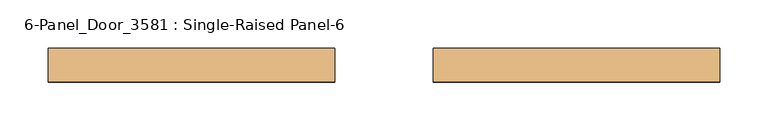
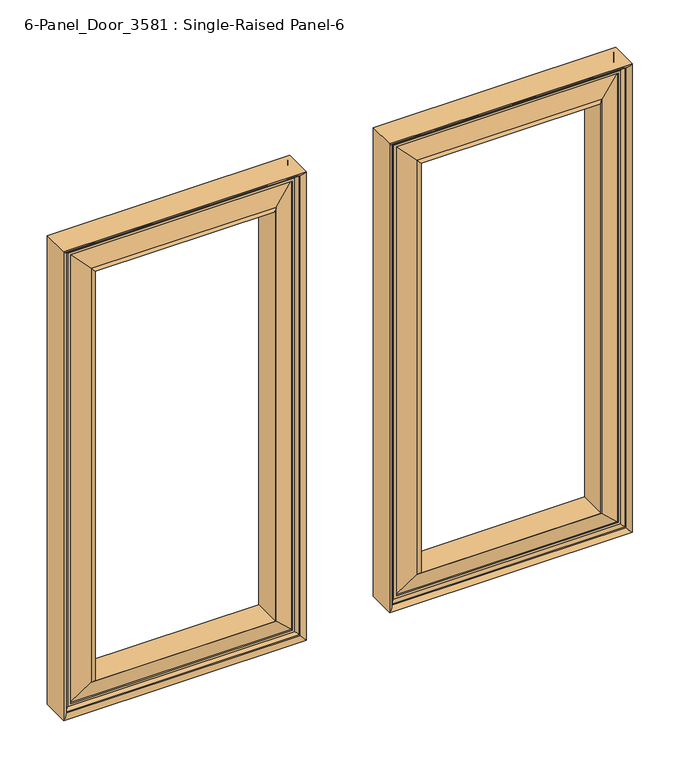
"""IFC4 building model written with IfcOpenShell, lengths in millimetres: door geometry, 6-Panel_Door_3581 : Single-Raised Panel-6."""

from ifc_helpers import new_model, si_unit, frame, origin, place, context, project, spatial, polyline, ellipse_curve, source, transform, mapped, element, save
from ifc_brep_helpers import plane_surface, cylinder_surface, revolved_surface, advanced_brep


def door_6_panel_door_3581_single_raised_panel_6_333dbea5(model_context):
    return source(origin(), model_context, "Body", "AdvancedBrep", [
        advanced_brep(
        [(50.8, -41.4748678, 1619.25), (50.8, -76.0029928, 1619.25), (346.075, -76.0029928, 1619.25), (346.075, -41.4748678, 1619.25), (55.5583641, -46.0389303, 1614.4916359), (341.3166359, -46.0389303, 1614.4916359), (60.325, -49.2139303, 1609.725), (57.15, -46.0389303, 1612.9), (339.725, -46.0389303, 1612.9), (336.55, -49.2139303, 1609.725), (63.5, -50.8165159, 1606.55), (63.5, -49.2139303, 1606.55), (333.375, -49.2139303, 1606.55), (333.375, -50.8165159, 1606.55), (86.2811535, -44.2921518, 1583.7688465), (310.5938465, -44.2921518, 1583.7688465), (88.9, -41.6733053, 1581.15), (307.975, -41.6733053, 1581.15), (88.9, -76.0029928, 1581.15), (307.975, -76.0029928, 1581.15), (86.0030767, -73.1060696, 1584.0469233), (310.8719233, -73.1060696, 1584.0469233), (63.5, -66.6613447, 1606.55), (333.375, -66.6613447, 1606.55), (63.5, -68.2639303, 1606.55), (333.375, -68.2639303, 1606.55), (57.15, -71.4389303, 1612.9), (60.325, -68.2639303, 1609.725), (336.55, -68.2639303, 1609.725), (339.725, -71.4389303, 1612.9), (55.5583641, -71.4389303, 1614.4916359), (341.3166359, -71.4389303, 1614.4916359), (346.075, -76.0029928, 1016.0), (346.075, -41.4748678, 1016.0), (341.3166359, -46.0389303, 1020.7583641), (339.725, -46.0389303, 1022.35), (336.55, -49.2139303, 1025.525), (333.375, -49.2139303, 1028.7), (333.375, -50.8165159, 1028.7), (310.5938465, -44.2921518, 1051.4811535), (307.975, -41.6733053, 1054.1), (307.975, -76.0029928, 1054.1), (310.8719233, -73.1060696, 1051.2030767), (333.375, -66.6613447, 1028.7), (333.375, -68.2639303, 1028.7), (336.55, -68.2639303, 1025.525), (339.725, -71.4389303, 1022.35), (341.3166359, -71.4389303, 1020.7583641), (50.8, -76.0029928, 1016.0), (50.8, -41.4748678, 1016.0), (55.5583641, -46.0389303, 1020.7583641), (57.15, -46.0389303, 1022.35), (60.325, -49.2139303, 1025.525), (63.5, -49.2139303, 1028.7), (63.5, -50.8165159, 1028.7), (86.2811535, -44.2921518, 1051.4811535), (88.9, -41.6733053, 1054.1), (88.9, -76.0029928, 1054.1), (86.0030767, -73.1060696, 1051.2030767), (63.5, -66.6613447, 1028.7), (63.5, -68.2639303, 1028.7), (60.325, -68.2639303, 1025.525), (57.15, -71.4389303, 1022.35), (55.5583641, -71.4389303, 1020.7583641)],
        [
            (0, 1),
            (1, 2),
            (2, 3),
            (3, 0),
            (4, 0, ellipse_curve(frame((50.8, -46.2373678, 1619.25), z_axis=(0.7071067811865481, 0.0, 0.7071067811865469), x_axis=(-0.7071067811865469, 0.0, 0.7071067811865481)), 6.7351921, 4.7625)),
            (3, 5, ellipse_curve(frame((346.075, -46.2373678, 1619.25), z_axis=(-0.7071067811865475, 0.0, 0.7071067811865475), x_axis=(-0.7071067811865477, 0.0, -0.7071067811865474)), 6.7351921, 4.7625)),
            (5, 4),
            (6, 7, ellipse_curve(frame((60.325, -46.0389303, 1609.725), z_axis=(-0.7071067811865481, 0.0, -0.7071067811865469), x_axis=(0.7071067811865469, 0.0, -0.7071067811865481)), 4.4901281, 3.175)),
            (7, 8),
            (8, 9, ellipse_curve(frame((336.55, -46.0389303, 1609.725), z_axis=(0.7071067811865475, 0.0, -0.7071067811865475), x_axis=(0.7071067811865477, 0.0, 0.7071067811865474)), 4.4901281, 3.175)),
            (9, 6),
            (10, 11),
            (11, 12),
            (12, 13),
            (13, 10),
            (14, 10),
            (13, 15),
            (15, 14),
            (16, 14),
            (15, 17),
            (17, 16),
            (18, 16),
            (17, 19),
            (19, 18),
            (20, 18),
            (19, 21),
            (21, 20),
            (22, 20),
            (21, 23),
            (23, 22),
            (24, 22),
            (23, 25),
            (25, 24),
            (26, 27, ellipse_curve(frame((60.325, -71.4389303, 1609.725), z_axis=(-0.7071067811865481, 0.0, -0.7071067811865469), x_axis=(0.7071067811865469, 0.0, -0.7071067811865481)), 4.4901281, 3.175)),
            (27, 28),
            (28, 29, ellipse_curve(frame((336.55, -71.4389303, 1609.725), z_axis=(0.7071067811865475, 0.0, -0.7071067811865475), x_axis=(0.7071067811865477, 0.0, 0.7071067811865474)), 4.4901281, 3.175)),
            (29, 26),
            (1, 30, ellipse_curve(frame((50.8, -71.2404928, 1619.25), z_axis=(0.7071067811865481, 0.0, 0.7071067811865469), x_axis=(-0.7071067811865469, 0.0, 0.7071067811865481)), 6.7351921, 4.7625)),
            (30, 31),
            (31, 2, ellipse_curve(frame((346.075, -71.2404928, 1619.25), z_axis=(-0.7071067811865475, 0.0, 0.7071067811865475), x_axis=(-0.7071067811865477, 0.0, -0.7071067811865474)), 6.7351921, 4.7625)),
            (2, 32),
            (32, 33),
            (33, 3),
            (33, 34, ellipse_curve(frame((346.075, -46.2373678, 1016.0), z_axis=(0.7071067811865475, 0.0, 0.7071067811865475), x_axis=(-0.7071067811865474, 0.0, 0.7071067811865477)), 6.7351921, 4.7625)),
            (34, 5),
            (8, 35),
            (35, 36, ellipse_curve(frame((336.55, -46.0389303, 1025.525), z_axis=(-0.7071067811865475, 0.0, -0.7071067811865475), x_axis=(0.7071067811865474, 0.0, -0.7071067811865477)), 4.4901281, 3.175)),
            (36, 9),
            (12, 37),
            (37, 38),
            (38, 13),
            (38, 39),
            (39, 15),
            (39, 40),
            (40, 17),
            (40, 41),
            (41, 19),
            (41, 42),
            (42, 21),
            (42, 43),
            (43, 23),
            (43, 44),
            (44, 25),
            (28, 45),
            (45, 46, ellipse_curve(frame((336.55, -71.4389303, 1025.525), z_axis=(-0.7071067811865475, 0.0, -0.7071067811865475), x_axis=(0.7071067811865474, 0.0, -0.7071067811865477)), 4.4901281, 3.175)),
            (46, 29),
            (31, 47),
            (47, 32, ellipse_curve(frame((346.075, -71.2404928, 1016.0), z_axis=(0.7071067811865475, 0.0, 0.7071067811865475), x_axis=(-0.7071067811865474, 0.0, 0.7071067811865477)), 6.7351921, 4.7625)),
            (32, 48),
            (48, 49),
            (49, 33),
            (49, 50, ellipse_curve(frame((50.8, -46.2373678, 1016.0), z_axis=(0.7071067811865469, 0.0, -0.7071067811865481), x_axis=(0.7071067811865481, 0.0, 0.7071067811865468)), 6.7351921, 4.7625)),
            (50, 34),
            (35, 51),
            (51, 52, ellipse_curve(frame((60.325, -46.0389303, 1025.525), z_axis=(-0.7071067811865469, 0.0, 0.7071067811865481), x_axis=(-0.7071067811865481, 0.0, -0.7071067811865468)), 4.4901281, 3.175)),
            (52, 36),
            (37, 53),
            (53, 54),
            (54, 38),
            (54, 55),
            (55, 39),
            (55, 56),
            (56, 40),
            (56, 57),
            (57, 41),
            (57, 58),
            (58, 42),
            (58, 59),
            (59, 43),
            (59, 60),
            (60, 44),
            (45, 61),
            (61, 62, ellipse_curve(frame((60.325, -71.4389303, 1025.525), z_axis=(-0.7071067811865469, 0.0, 0.7071067811865481), x_axis=(-0.7071067811865481, 0.0, -0.7071067811865468)), 4.4901281, 3.175)),
            (62, 46),
            (47, 63),
            (63, 48, ellipse_curve(frame((50.8, -71.2404928, 1016.0), z_axis=(0.7071067811865469, 0.0, -0.7071067811865481), x_axis=(0.7071067811865481, 0.0, 0.7071067811865468)), 6.7351921, 4.7625)),
            (48, 1),
            (0, 49),
            (4, 50),
            (7, 51),
            (6, 52),
            (11, 53),
            (10, 54),
            (14, 55),
            (16, 56),
            (18, 57),
            (20, 58),
            (22, 59),
            (24, 60),
            (27, 61),
            (26, 62),
            (30, 63),
        ],
        [
            plane_surface(frame((50.8, -76.0029928, 1619.25), z_axis=(0.0, 0.0, 1.0), x_axis=(1.0, 0.0, 0.0))),
            cylinder_surface(frame((50.8, -46.2373678, 1619.25), z_axis=(-1.0, 0.0, 0.0), x_axis=(0.0, 0.0, 1.0)), 4.7625),
            revolved_surface(polyline([(339.7250000279063, -46.0389303, 1612.8999999999999), (57.14999997209374, -46.0389303, 1612.8999999999999)]), (50.8, -46.0389303, 1609.725), (1.0, 0.0, 0.0)),
            plane_surface(frame((63.5, -49.2139303, 1606.55), z_axis=(0.0, 0.0, -1.0), x_axis=(1.0, 0.0, 0.0))),
            plane_surface(frame((63.5, -50.8165159, 1606.55), z_axis=(0.0, 0.9613513906239454, 0.2753243609733919), x_axis=(1.0, 0.0, 0.0))),
            plane_surface(frame((86.2811535, -44.2921518, 1583.7688465), z_axis=(0.0, 0.7071067811865464, 0.7071067811865487), x_axis=(1.0, 0.0, 0.0))),
            plane_surface(frame((88.9, -41.6733053, 1581.15), z_axis=(0.0, 0.0, -1.0), x_axis=(1.0, 0.0, 0.0))),
            plane_surface(frame((88.9, -76.0029928, 1581.15), z_axis=(0.0, -0.7071067811865527, 0.7071067811865424), x_axis=(1.0, 0.0, 0.0))),
            plane_surface(frame((86.0030767, -73.1060696, 1584.0469233), z_axis=(0.0, -0.9613513906239438, 0.27532436097339685), x_axis=(1.0, 0.0, 0.0))),
            plane_surface(frame((63.5, -66.6613447, 1606.55), z_axis=(0.0, 0.0, -1.0), x_axis=(1.0, 0.0, 0.0))),
            revolved_surface(polyline([(339.7250000279063, -71.4389303, 1612.8999999999999), (57.14999997209374, -71.4389303, 1612.8999999999999)]), (50.8, -71.4389303, 1609.725), (1.0, 0.0, 0.0)),
            cylinder_surface(frame((50.8, -71.2404928, 1619.25), z_axis=(-1.0, 0.0, 0.0), x_axis=(0.0, 0.0, 1.0)), 4.7625),
            plane_surface(frame((346.075, -76.0029928, 1619.25), z_axis=(1.0, 0.0, 0.0), x_axis=(0.0, 0.0, -1.0))),
            cylinder_surface(frame((346.075, -46.2373678, 1619.25), z_axis=(0.0, 0.0, 1.0), x_axis=(1.0, 0.0, 0.0)), 4.7625),
            revolved_surface(polyline([(339.725, -46.0389303, 1022.3499999720938), (339.725, -46.0389303, 1612.9000000279061)]), (336.55, -46.0389303, 1619.25), (0.0, 0.0, -1.0)),
            plane_surface(frame((333.375, -49.2139303, 1606.55), z_axis=(-1.0, 0.0, 0.0), x_axis=(0.0, 0.0, -1.0))),
            plane_surface(frame((333.375, -50.8165159, 1606.55), z_axis=(0.2753243609733919, 0.9613513906239454, 0.0), x_axis=(0.0, 0.0, -1.0))),
            plane_surface(frame((310.5938465, -44.2921518, 1583.7688465), z_axis=(0.7071067811865487, 0.7071067811865464, 0.0), x_axis=(0.0, 0.0, -1.0))),
            plane_surface(frame((307.975, -41.6733053, 1581.15), z_axis=(-1.0, 0.0, 0.0), x_axis=(0.0, 0.0, -1.0))),
            plane_surface(frame((307.975, -76.0029928, 1581.15), z_axis=(0.7071067811865424, -0.7071067811865527, 0.0), x_axis=(0.0, 0.0, -1.0))),
            plane_surface(frame((310.8719233, -73.1060696, 1584.0469233), z_axis=(0.27532436097339685, -0.9613513906239438, 0.0), x_axis=(0.0, 0.0, -1.0))),
            plane_surface(frame((333.375, -66.6613447, 1606.55), z_axis=(-1.0, 0.0, 0.0), x_axis=(0.0, 0.0, -1.0))),
            revolved_surface(polyline([(339.725, -71.4389303, 1022.3499999720938), (339.725, -71.4389303, 1612.9000000279061)]), (336.55, -71.4389303, 1619.25), (0.0, 0.0, -1.0)),
            cylinder_surface(frame((346.075, -71.2404928, 1619.25), z_axis=(0.0, 0.0, 1.0), x_axis=(1.0, 0.0, 0.0)), 4.7625),
            plane_surface(frame((346.075, -76.0029928, 1016.0), z_axis=(0.0, 0.0, -1.0), x_axis=(-1.0, 0.0, 0.0))),
            cylinder_surface(frame((346.075, -46.2373678, 1016.0), z_axis=(1.0, 0.0, 0.0), x_axis=(0.0, 0.0, -1.0)), 4.7625),
            revolved_surface(polyline([(57.149999972093724, -46.0389303, 1022.3500000000001), (339.7250000279063, -46.0389303, 1022.3500000000001)]), (346.075, -46.0389303, 1025.525), (-1.0, 0.0, 0.0)),
            plane_surface(frame((333.375, -49.2139303, 1028.7), z_axis=(0.0, 0.0, 1.0), x_axis=(-1.0, 0.0, 0.0))),
            plane_surface(frame((333.375, -50.8165159, 1028.7), z_axis=(0.0, 0.9613513906239454, -0.2753243609733919), x_axis=(-1.0, 0.0, 0.0))),
            plane_surface(frame((310.5938465, -44.2921518, 1051.4811535), z_axis=(0.0, 0.7071067811865464, -0.7071067811865487), x_axis=(-1.0, 0.0, 0.0))),
            plane_surface(frame((307.975, -41.6733053, 1054.1), z_axis=(0.0, 0.0, 1.0), x_axis=(-1.0, 0.0, 0.0))),
            plane_surface(frame((307.975, -76.0029928, 1054.1), z_axis=(0.0, -0.7071067811865527, -0.7071067811865424), x_axis=(-1.0, 0.0, 0.0))),
            plane_surface(frame((310.8719233, -73.1060696, 1051.2030767), z_axis=(0.0, -0.9613513906239438, -0.27532436097339685), x_axis=(-1.0, 0.0, 0.0))),
            plane_surface(frame((333.375, -66.6613447, 1028.7), z_axis=(0.0, 0.0, 1.0), x_axis=(-1.0, 0.0, 0.0))),
            revolved_surface(polyline([(57.149999972093724, -71.4389303, 1022.3500000000001), (339.7250000279063, -71.4389303, 1022.3500000000001)]), (346.075, -71.4389303, 1025.525), (-1.0, 0.0, 0.0)),
            cylinder_surface(frame((346.075, -71.2404928, 1016.0), z_axis=(1.0, 0.0, 0.0), x_axis=(0.0, 0.0, -1.0)), 4.7625),
            plane_surface(frame((50.8, -76.0029928, 1016.0), z_axis=(-1.0, 0.0, 0.0), x_axis=(0.0, 0.0, 1.0))),
            cylinder_surface(frame((50.8, -46.2373678, 1016.0), z_axis=(0.0, 0.0, -1.0), x_axis=(-1.0, 0.0, 0.0)), 4.7625),
            plane_surface(frame((55.5583641, -46.0389303, 1020.7583641), z_axis=(0.0, 1.0, 0.0), x_axis=(0.0, 0.0, 1.0))),
            revolved_surface(polyline([(57.150000000000006, -46.0389303, 1612.9000000279061), (57.150000000000006, -46.0389303, 1022.3499999720939)]), (60.325, -46.0389303, 1016.0), (0.0, 0.0, 1.0)),
            plane_surface(frame((60.325, -49.2139303, 1025.525), z_axis=(0.0, 1.0, 0.0), x_axis=(0.0, 0.0, 1.0))),
            plane_surface(frame((63.5, -49.2139303, 1028.7), z_axis=(1.0, 0.0, 0.0), x_axis=(0.0, 0.0, 1.0))),
            plane_surface(frame((63.5, -50.8165159, 1028.7), z_axis=(-0.2753243609733919, 0.9613513906239454, 0.0), x_axis=(0.0, 0.0, 1.0))),
            plane_surface(frame((86.2811535, -44.2921518, 1051.4811535), z_axis=(-0.7071067811865487, 0.7071067811865464, 0.0), x_axis=(0.0, 0.0, 1.0))),
            plane_surface(frame((88.9, -41.6733053, 1054.1), z_axis=(1.0, 0.0, 0.0), x_axis=(0.0, 0.0, 1.0))),
            plane_surface(frame((88.9, -76.0029928, 1054.1), z_axis=(-0.7071067811865424, -0.7071067811865527, 0.0), x_axis=(0.0, 0.0, 1.0))),
            plane_surface(frame((86.0030767, -73.1060696, 1051.2030767), z_axis=(-0.27532436097339685, -0.9613513906239438, 0.0), x_axis=(0.0, 0.0, 1.0))),
            plane_surface(frame((63.5, -66.6613447, 1028.7), z_axis=(1.0, 0.0, 0.0), x_axis=(0.0, 0.0, 1.0))),
            plane_surface(frame((63.5, -68.2639303, 1028.7), z_axis=(0.0, -1.0, 0.0), x_axis=(0.0, 0.0, 1.0))),
            revolved_surface(polyline([(57.150000000000006, -71.4389303, 1612.9000000279061), (57.150000000000006, -71.4389303, 1022.3499999720939)]), (60.325, -71.4389303, 1016.0), (0.0, 0.0, 1.0)),
            plane_surface(frame((57.15, -71.4389303, 1022.35), z_axis=(0.0, -1.0, 0.0), x_axis=(0.0, 0.0, 1.0))),
            cylinder_surface(frame((50.8, -71.2404928, 1016.0), z_axis=(0.0, 0.0, -1.0), x_axis=(-1.0, 0.0, 0.0)), 4.7625),
        ],
        [
            (0, [[1, 2, 3, 4]]),
            (1, [[5, -4, 6, 7]]),
            (2, [[8, 9, 10, 11]]),
            (3, [[12, 13, 14, 15]]),
            (4, [[16, -15, 17, 18]]),
            (5, [[19, -18, 20, 21]]),
            (6, [[22, -21, 23, 24]]),
            (7, [[25, -24, 26, 27]]),
            (8, [[28, -27, 29, 30]]),
            (9, [[31, -30, 32, 33]]),
            (10, [[34, 35, 36, 37]]),
            (11, [[38, 39, 40, -2]]),
            (12, [[-3, 41, 42, 43]]),
            (13, [[-6, -43, 44, 45]]),
            (14, [[-10, 46, 47, 48]]),
            (15, [[-14, 49, 50, 51]]),
            (16, [[-17, -51, 52, 53]]),
            (17, [[-20, -53, 54, 55]]),
            (18, [[-23, -55, 56, 57]]),
            (19, [[-26, -57, 58, 59]]),
            (20, [[-29, -59, 60, 61]]),
            (21, [[-32, -61, 62, 63]]),
            (22, [[-36, 64, 65, 66]]),
            (23, [[-40, 67, 68, -41]]),
            (24, [[-42, 69, 70, 71]]),
            (25, [[-44, -71, 72, 73]]),
            (26, [[-47, 74, 75, 76]]),
            (27, [[-50, 77, 78, 79]]),
            (28, [[-52, -79, 80, 81]]),
            (29, [[-54, -81, 82, 83]]),
            (30, [[-56, -83, 84, 85]]),
            (31, [[-58, -85, 86, 87]]),
            (32, [[-60, -87, 88, 89]]),
            (33, [[-62, -89, 90, 91]]),
            (34, [[-65, 92, 93, 94]]),
            (35, [[-68, 95, 96, -69]]),
            (36, [[-70, 97, -1, 98]]),
            (37, [[-72, -98, -5, 99]]),
            (38, [[-45, -73, -99, -7], [100, -74, -46, -9]]),
            (39, [[-75, -100, -8, 101]]),
            (40, [[-48, -76, -101, -11], [102, -77, -49, -13]]),
            (41, [[-78, -102, -12, 103]]),
            (42, [[-80, -103, -16, 104]]),
            (43, [[-82, -104, -19, 105]]),
            (44, [[-84, -105, -22, 106]]),
            (45, [[-86, -106, -25, 107]]),
            (46, [[-88, -107, -28, 108]]),
            (47, [[-90, -108, -31, 109]]),
            (48, [[110, -92, -64, -35], [-63, -91, -109, -33]]),
            (49, [[-93, -110, -34, 111]]),
            (50, [[112, -95, -67, -39], [-66, -94, -111, -37]]),
            (51, [[-96, -112, -38, -97]]),
        ],
    ),
        advanced_brep(
        [(-346.075, -76.0029928, 1016.0), (-346.075, -41.4748678, 1016.0), (-50.8, -41.4748678, 1016.0), (-50.8, -76.0029928, 1016.0), (-341.3166359, -71.4389303, 1020.7583641), (-55.5583641, -71.4389303, 1020.7583641), (-336.55, -68.2639303, 1025.525), (-339.725, -71.4389303, 1022.35), (-57.15, -71.4389303, 1022.35), (-60.325, -68.2639303, 1025.525), (-333.375, -66.6613447, 1028.7), (-333.375, -68.2639303, 1028.7), (-63.5, -68.2639303, 1028.7), (-63.5, -66.6613447, 1028.7), (-310.8719233, -73.1060696, 1051.2030767), (-86.0030767, -73.1060696, 1051.2030767), (-307.975, -76.0029928, 1054.1), (-88.9, -76.0029928, 1054.1), (-307.975, -41.6733053, 1054.1), (-88.9, -41.6733053, 1054.1), (-310.5938465, -44.2921518, 1051.4811535), (-86.2811535, -44.2921518, 1051.4811535), (-333.375, -50.8165159, 1028.7), (-63.5, -50.8165159, 1028.7), (-333.375, -49.2139303, 1028.7), (-63.5, -49.2139303, 1028.7), (-339.725, -46.0389303, 1022.35), (-336.55, -49.2139303, 1025.525), (-60.325, -49.2139303, 1025.525), (-57.15, -46.0389303, 1022.35), (-341.3166359, -46.0389303, 1020.7583641), (-55.5583641, -46.0389303, 1020.7583641), (-50.8, -41.4748678, 1619.25), (-50.8, -76.0029928, 1619.25), (-55.5583641, -71.4389303, 1614.4916359), (-57.15, -71.4389303, 1612.9), (-60.325, -68.2639303, 1609.725), (-63.5, -68.2639303, 1606.55), (-63.5, -66.6613447, 1606.55), (-86.0030767, -73.1060696, 1584.0469233), (-88.9, -76.0029928, 1581.15), (-88.9, -41.6733053, 1581.15), (-86.2811535, -44.2921518, 1583.7688465), (-63.5, -50.8165159, 1606.55), (-63.5, -49.2139303, 1606.55), (-60.325, -49.2139303, 1609.725), (-57.15, -46.0389303, 1612.9), (-55.5583641, -46.0389303, 1614.4916359), (-346.075, -41.4748678, 1619.25), (-346.075, -76.0029928, 1619.25), (-341.3166359, -71.4389303, 1614.4916359), (-339.725, -71.4389303, 1612.9), (-336.55, -68.2639303, 1609.725), (-333.375, -68.2639303, 1606.55), (-333.375, -66.6613447, 1606.55), (-310.8719233, -73.1060696, 1584.0469233), (-307.975, -76.0029928, 1581.15), (-307.975, -41.6733053, 1581.15), (-310.5938465, -44.2921518, 1583.7688465), (-333.375, -50.8165159, 1606.55), (-333.375, -49.2139303, 1606.55), (-336.55, -49.2139303, 1609.725), (-339.725, -46.0389303, 1612.9), (-341.3166359, -46.0389303, 1614.4916359)],
        [
            (0, 1),
            (1, 2),
            (2, 3),
            (3, 0),
            (4, 0, ellipse_curve(frame((-346.075, -71.2404928, 1016.0), z_axis=(0.7071067811865475, 0.0, -0.7071067811865476), x_axis=(-0.7071067811865475, 0.0, -0.7071067811865475)), 6.7351921, 4.7625)),
            (3, 5, ellipse_curve(frame((-50.8, -71.2404928, 1016.0), z_axis=(-0.7071067811865481, 0.0, -0.7071067811865469), x_axis=(-0.7071067811865469, 0.0, 0.707106781186548)), 6.7351921, 4.7625)),
            (5, 4),
            (6, 7, ellipse_curve(frame((-336.55, -71.4389303, 1025.525), z_axis=(-0.7071067811865475, 0.0, 0.7071067811865476), x_axis=(0.7071067811865475, 0.0, 0.7071067811865475)), 4.4901281, 3.175)),
            (7, 8),
            (8, 9, ellipse_curve(frame((-60.325, -71.4389303, 1025.525), z_axis=(0.7071067811865481, 0.0, 0.7071067811865469), x_axis=(0.7071067811865469, 0.0, -0.707106781186548)), 4.4901281, 3.175)),
            (9, 6),
            (10, 11),
            (11, 12),
            (12, 13),
            (13, 10),
            (14, 10),
            (13, 15),
            (15, 14),
            (16, 14),
            (15, 17),
            (17, 16),
            (18, 16),
            (17, 19),
            (19, 18),
            (20, 18),
            (19, 21),
            (21, 20),
            (22, 20),
            (21, 23),
            (23, 22),
            (24, 22),
            (23, 25),
            (25, 24),
            (26, 27, ellipse_curve(frame((-336.55, -46.0389303, 1025.525), z_axis=(-0.7071067811865475, 0.0, 0.7071067811865476), x_axis=(0.7071067811865475, 0.0, 0.7071067811865475)), 4.4901281, 3.175)),
            (27, 28),
            (28, 29, ellipse_curve(frame((-60.325, -46.0389303, 1025.525), z_axis=(0.7071067811865481, 0.0, 0.7071067811865469), x_axis=(0.7071067811865469, 0.0, -0.707106781186548)), 4.4901281, 3.175)),
            (29, 26),
            (1, 30, ellipse_curve(frame((-346.075, -46.2373678, 1016.0), z_axis=(0.7071067811865475, 0.0, -0.7071067811865476), x_axis=(-0.7071067811865475, 0.0, -0.7071067811865475)), 6.7351921, 4.7625)),
            (30, 31),
            (31, 2, ellipse_curve(frame((-50.8, -46.2373678, 1016.0), z_axis=(-0.7071067811865481, 0.0, -0.7071067811865469), x_axis=(-0.7071067811865469, 0.0, 0.707106781186548)), 6.7351921, 4.7625)),
            (2, 32),
            (32, 33),
            (33, 3),
            (33, 34, ellipse_curve(frame((-50.8, -71.2404928, 1619.25), z_axis=(0.7071067811865469, 0.0, -0.7071067811865481), x_axis=(-0.707106781186548, 0.0, -0.7071067811865469)), 6.7351921, 4.7625)),
            (34, 5),
            (8, 35),
            (35, 36, ellipse_curve(frame((-60.325, -71.4389303, 1609.725), z_axis=(-0.7071067811865469, 0.0, 0.7071067811865481), x_axis=(0.707106781186548, 0.0, 0.7071067811865469)), 4.4901281, 3.175)),
            (36, 9),
            (12, 37),
            (37, 38),
            (38, 13),
            (38, 39),
            (39, 15),
            (39, 40),
            (40, 17),
            (40, 41),
            (41, 19),
            (41, 42),
            (42, 21),
            (42, 43),
            (43, 23),
            (43, 44),
            (44, 25),
            (28, 45),
            (45, 46, ellipse_curve(frame((-60.325, -46.0389303, 1609.725), z_axis=(-0.7071067811865469, 0.0, 0.7071067811865481), x_axis=(0.707106781186548, 0.0, 0.7071067811865469)), 4.4901281, 3.175)),
            (46, 29),
            (31, 47),
            (47, 32, ellipse_curve(frame((-50.8, -46.2373678, 1619.25), z_axis=(0.7071067811865469, 0.0, -0.7071067811865481), x_axis=(-0.707106781186548, 0.0, -0.7071067811865469)), 6.7351921, 4.7625)),
            (32, 48),
            (48, 49),
            (49, 33),
            (49, 50, ellipse_curve(frame((-346.075, -71.2404928, 1619.25), z_axis=(0.7071067811865476, 0.0, 0.7071067811865475), x_axis=(0.7071067811865475, 0.0, -0.7071067811865475)), 6.7351921, 4.7625)),
            (50, 34),
            (35, 51),
            (51, 52, ellipse_curve(frame((-336.55, -71.4389303, 1609.725), z_axis=(-0.7071067811865476, 0.0, -0.7071067811865475), x_axis=(-0.7071067811865475, 0.0, 0.7071067811865475)), 4.4901281, 3.175)),
            (52, 36),
            (37, 53),
            (53, 54),
            (54, 38),
            (54, 55),
            (55, 39),
            (55, 56),
            (56, 40),
            (56, 57),
            (57, 41),
            (57, 58),
            (58, 42),
            (58, 59),
            (59, 43),
            (59, 60),
            (60, 44),
            (45, 61),
            (61, 62, ellipse_curve(frame((-336.55, -46.0389303, 1609.725), z_axis=(-0.7071067811865476, 0.0, -0.7071067811865475), x_axis=(-0.7071067811865475, 0.0, 0.7071067811865475)), 4.4901281, 3.175)),
            (62, 46),
            (47, 63),
            (63, 48, ellipse_curve(frame((-346.075, -46.2373678, 1619.25), z_axis=(0.7071067811865476, 0.0, 0.7071067811865475), x_axis=(0.7071067811865475, 0.0, -0.7071067811865475)), 6.7351921, 4.7625)),
            (48, 1),
            (0, 49),
            (4, 50),
            (7, 51),
            (6, 52),
            (11, 53),
            (10, 54),
            (14, 55),
            (16, 56),
            (18, 57),
            (20, 58),
            (22, 59),
            (24, 60),
            (27, 61),
            (26, 62),
            (30, 63),
        ],
        [
            plane_surface(frame((-346.075, -41.4748678, 1016.0), z_axis=(0.0, 0.0, -1.0), x_axis=(1.0, 0.0, 0.0))),
            cylinder_surface(frame((-346.075, -71.2404928, 1016.0), z_axis=(-1.0, 0.0, 0.0), x_axis=(0.0, -1.0, 0.0)), 4.7625),
            revolved_surface(polyline([(-57.149999972093724, -74.61393029999999, 1025.525), (-339.7250000279063, -74.61393029999999, 1025.525)]), (-346.075, -71.4389303, 1025.525), (1.0, 0.0, 0.0)),
            plane_surface(frame((-333.375, -68.2639303, 1028.7), z_axis=(0.0, 0.0, 1.0), x_axis=(1.0, 0.0, 0.0))),
            plane_surface(frame((-333.375, -66.6613447, 1028.7), z_axis=(0.0, -0.961351390623947, -0.275324360973386), x_axis=(1.0, 0.0, 0.0))),
            plane_surface(frame((-310.8719233, -73.1060696, 1051.2030767), z_axis=(0.0, -0.7071067811865455, -0.7071067811865496), x_axis=(1.0, 0.0, 0.0))),
            plane_surface(frame((-307.975, -76.0029928, 1054.1), z_axis=(0.0, 0.0, 1.0), x_axis=(1.0, 0.0, 0.0))),
            plane_surface(frame((-307.975, -41.6733053, 1054.1), z_axis=(0.0, 0.7071067811865452, -0.7071067811865498), x_axis=(1.0, 0.0, 0.0))),
            plane_surface(frame((-310.5938465, -44.2921518, 1051.4811535), z_axis=(0.0, 0.9613513906239456, -0.2753243609733912), x_axis=(1.0, 0.0, 0.0))),
            plane_surface(frame((-333.375, -50.8165159, 1028.7), z_axis=(0.0, 0.0, 1.0), x_axis=(1.0, 0.0, 0.0))),
            revolved_surface(polyline([(-57.149999972093724, -49.213930299999994, 1025.525), (-339.7250000279063, -49.213930299999994, 1025.525)]), (-346.075, -46.0389303, 1025.525), (1.0, 0.0, 0.0)),
            cylinder_surface(frame((-346.075, -46.2373678, 1016.0), z_axis=(-1.0, 0.0, 0.0), x_axis=(0.0, -1.0, 0.0)), 4.7625),
            plane_surface(frame((-50.8, -41.4748678, 1016.0), z_axis=(1.0, 0.0, 0.0), x_axis=(0.0, 0.0, 1.0))),
            cylinder_surface(frame((-50.8, -71.2404928, 1016.0), z_axis=(0.0, 0.0, -1.0), x_axis=(0.0, -1.0, 0.0)), 4.7625),
            revolved_surface(polyline([(-60.325, -74.61393029999999, 1612.9000000279061), (-60.325, -74.61393029999999, 1022.3499999720938)]), (-60.325, -71.4389303, 1016.0), (0.0, 0.0, 1.0)),
            plane_surface(frame((-63.5, -68.2639303, 1028.7), z_axis=(-1.0, 0.0, 0.0), x_axis=(0.0, 0.0, 1.0))),
            plane_surface(frame((-63.5, -66.6613447, 1028.7), z_axis=(0.275324360973386, -0.961351390623947, 0.0), x_axis=(0.0, 0.0, 1.0))),
            plane_surface(frame((-86.0030767, -73.1060696, 1051.2030767), z_axis=(0.7071067811865496, -0.7071067811865455, 0.0), x_axis=(0.0, 0.0, 1.0))),
            plane_surface(frame((-88.9, -76.0029928, 1054.1), z_axis=(-1.0, 0.0, 0.0), x_axis=(0.0, 0.0, 1.0))),
            plane_surface(frame((-88.9, -41.6733053, 1054.1), z_axis=(0.7071067811865498, 0.7071067811865452, 0.0), x_axis=(0.0, 0.0, 1.0))),
            plane_surface(frame((-86.2811535, -44.2921518, 1051.4811535), z_axis=(0.2753243609733912, 0.9613513906239456, 0.0), x_axis=(0.0, 0.0, 1.0))),
            plane_surface(frame((-63.5, -50.8165159, 1028.7), z_axis=(-1.0, 0.0, 0.0), x_axis=(0.0, 0.0, 1.0))),
            revolved_surface(polyline([(-60.325, -49.213930299999994, 1612.9000000279061), (-60.325, -49.213930299999994, 1022.3499999720938)]), (-60.325, -46.0389303, 1016.0), (0.0, 0.0, 1.0)),
            cylinder_surface(frame((-50.8, -46.2373678, 1016.0), z_axis=(0.0, 0.0, -1.0), x_axis=(0.0, -1.0, 0.0)), 4.7625),
            plane_surface(frame((-50.8, -41.4748678, 1619.25), z_axis=(0.0, 0.0, 1.0), x_axis=(-1.0, 0.0, 0.0))),
            cylinder_surface(frame((-50.8, -71.2404928, 1619.25), z_axis=(1.0, 0.0, 0.0), x_axis=(0.0, -1.0, 0.0)), 4.7625),
            revolved_surface(polyline([(-339.7250000279063, -74.61393029999999, 1609.725), (-57.14999997209373, -74.61393029999999, 1609.725)]), (-50.8, -71.4389303, 1609.725), (-1.0, 0.0, 0.0)),
            plane_surface(frame((-63.5, -68.2639303, 1606.55), z_axis=(0.0, 0.0, -1.0), x_axis=(-1.0, 0.0, 0.0))),
            plane_surface(frame((-63.5, -66.6613447, 1606.55), z_axis=(0.0, -0.961351390623947, 0.275324360973386), x_axis=(-1.0, 0.0, 0.0))),
            plane_surface(frame((-86.0030767, -73.1060696, 1584.0469233), z_axis=(0.0, -0.7071067811865455, 0.7071067811865496), x_axis=(-1.0, 0.0, 0.0))),
            plane_surface(frame((-88.9, -76.0029928, 1581.15), z_axis=(0.0, 0.0, -1.0), x_axis=(-1.0, 0.0, 0.0))),
            plane_surface(frame((-88.9, -41.6733053, 1581.15), z_axis=(0.0, 0.7071067811865452, 0.7071067811865498), x_axis=(-1.0, 0.0, 0.0))),
            plane_surface(frame((-86.2811535, -44.2921518, 1583.7688465), z_axis=(0.0, 0.9613513906239456, 0.2753243609733912), x_axis=(-1.0, 0.0, 0.0))),
            plane_surface(frame((-63.5, -50.8165159, 1606.55), z_axis=(0.0, 0.0, -1.0), x_axis=(-1.0, 0.0, 0.0))),
            revolved_surface(polyline([(-339.7250000279063, -49.213930299999994, 1609.725), (-57.14999997209373, -49.213930299999994, 1609.725)]), (-50.8, -46.0389303, 1609.725), (-1.0, 0.0, 0.0)),
            cylinder_surface(frame((-50.8, -46.2373678, 1619.25), z_axis=(1.0, 0.0, 0.0), x_axis=(0.0, -1.0, 0.0)), 4.7625),
            plane_surface(frame((-346.075, -41.4748678, 1619.25), z_axis=(-1.0, 0.0, 0.0), x_axis=(0.0, 0.0, -1.0))),
            cylinder_surface(frame((-346.075, -71.2404928, 1619.25), z_axis=(0.0, 0.0, 1.0), x_axis=(0.0, -1.0, 0.0)), 4.7625),
            plane_surface(frame((-341.3166359, -71.4389303, 1614.4916359), z_axis=(0.0, -1.0, 0.0), x_axis=(0.0, 0.0, -1.0))),
            revolved_surface(polyline([(-336.55, -74.61393029999999, 1022.3499999720938), (-336.55, -74.61393029999999, 1612.9000000279061)]), (-336.55, -71.4389303, 1619.25), (0.0, 0.0, -1.0)),
            plane_surface(frame((-336.55, -68.2639303, 1609.725), z_axis=(0.0, -1.0, 0.0), x_axis=(0.0, 0.0, -1.0))),
            plane_surface(frame((-333.375, -68.2639303, 1606.55), z_axis=(1.0, 0.0, 0.0), x_axis=(0.0, 0.0, -1.0))),
            plane_surface(frame((-333.375, -66.6613447, 1606.55), z_axis=(-0.275324360973386, -0.961351390623947, 0.0), x_axis=(0.0, 0.0, -1.0))),
            plane_surface(frame((-310.8719233, -73.1060696, 1584.0469233), z_axis=(-0.7071067811865496, -0.7071067811865455, 0.0), x_axis=(0.0, 0.0, -1.0))),
            plane_surface(frame((-307.975, -76.0029928, 1581.15), z_axis=(1.0, 0.0, 0.0), x_axis=(0.0, 0.0, -1.0))),
            plane_surface(frame((-307.975, -41.6733053, 1581.15), z_axis=(-0.7071067811865498, 0.7071067811865452, 0.0), x_axis=(0.0, 0.0, -1.0))),
            plane_surface(frame((-310.5938465, -44.2921518, 1583.7688465), z_axis=(-0.2753243609733912, 0.9613513906239456, 0.0), x_axis=(0.0, 0.0, -1.0))),
            plane_surface(frame((-333.375, -50.8165159, 1606.55), z_axis=(1.0, 0.0, 0.0), x_axis=(0.0, 0.0, -1.0))),
            plane_surface(frame((-333.375, -49.2139303, 1606.55), z_axis=(0.0, 1.0, 0.0), x_axis=(0.0, 0.0, -1.0))),
            revolved_surface(polyline([(-336.55, -49.213930299999994, 1022.3499999720938), (-336.55, -49.213930299999994, 1612.9000000279061)]), (-336.55, -46.0389303, 1619.25), (0.0, 0.0, -1.0)),
            plane_surface(frame((-339.725, -46.0389303, 1612.9), z_axis=(0.0, 1.0, 0.0), x_axis=(0.0, 0.0, -1.0))),
            cylinder_surface(frame((-346.075, -46.2373678, 1619.25), z_axis=(0.0, 0.0, 1.0), x_axis=(0.0, -1.0, 0.0)), 4.7625),
        ],
        [
            (0, [[1, 2, 3, 4]]),
            (1, [[5, -4, 6, 7]]),
            (2, [[8, 9, 10, 11]]),
            (3, [[12, 13, 14, 15]]),
            (4, [[16, -15, 17, 18]]),
            (5, [[19, -18, 20, 21]]),
            (6, [[22, -21, 23, 24]]),
            (7, [[25, -24, 26, 27]]),
            (8, [[28, -27, 29, 30]]),
            (9, [[31, -30, 32, 33]]),
            (10, [[34, 35, 36, 37]]),
            (11, [[38, 39, 40, -2]]),
            (12, [[-3, 41, 42, 43]]),
            (13, [[-6, -43, 44, 45]]),
            (14, [[-10, 46, 47, 48]]),
            (15, [[-14, 49, 50, 51]]),
            (16, [[-17, -51, 52, 53]]),
            (17, [[-20, -53, 54, 55]]),
            (18, [[-23, -55, 56, 57]]),
            (19, [[-26, -57, 58, 59]]),
            (20, [[-29, -59, 60, 61]]),
            (21, [[-32, -61, 62, 63]]),
            (22, [[-36, 64, 65, 66]]),
            (23, [[-40, 67, 68, -41]]),
            (24, [[-42, 69, 70, 71]]),
            (25, [[-44, -71, 72, 73]]),
            (26, [[-47, 74, 75, 76]]),
            (27, [[-50, 77, 78, 79]]),
            (28, [[-52, -79, 80, 81]]),
            (29, [[-54, -81, 82, 83]]),
            (30, [[-56, -83, 84, 85]]),
            (31, [[-58, -85, 86, 87]]),
            (32, [[-60, -87, 88, 89]]),
            (33, [[-62, -89, 90, 91]]),
            (34, [[-65, 92, 93, 94]]),
            (35, [[-68, 95, 96, -69]]),
            (36, [[-70, 97, -1, 98]]),
            (37, [[-72, -98, -5, 99]]),
            (38, [[-45, -73, -99, -7], [100, -74, -46, -9]]),
            (39, [[-75, -100, -8, 101]]),
            (40, [[-48, -76, -101, -11], [102, -77, -49, -13]]),
            (41, [[-78, -102, -12, 103]]),
            (42, [[-80, -103, -16, 104]]),
            (43, [[-82, -104, -19, 105]]),
            (44, [[-84, -105, -22, 106]]),
            (45, [[-86, -106, -25, 107]]),
            (46, [[-88, -107, -28, 108]]),
            (47, [[-90, -108, -31, 109]]),
            (48, [[110, -92, -64, -35], [-63, -91, -109, -33]]),
            (49, [[-93, -110, -34, 111]]),
            (50, [[112, -95, -67, -39], [-66, -94, -111, -37]]),
            (51, [[-96, -112, -38, -97]]),
        ],
    ),
    ])


if __name__ == "__main__":
    model = new_model("IFC4")
    model_context = context("Model", 3, world=origin())
    ifc_project = project(units=[si_unit("LENGTHUNIT", "METRE", prefix="MILLI")], contexts=[model_context])
    site = spatial("IfcSite", under=ifc_project)
    building = spatial("IfcBuilding", under=site)
    placement = place(None, origin())
    door_6_panel_door_3581_single_raised_panel_6_shape = door_6_panel_door_3581_single_raised_panel_6_333dbea5(model_context)
    element("IfcDoor", 1, ObjectType="6-Panel_Door_3581 : Single-Raised Panel-6", at=placement, inside=building, context=model_context, shape_type="MappedRepresentation", body=[
        mapped(door_6_panel_door_3581_single_raised_panel_6_shape, transform((0.0, 0.0, 0.0), x_axis=(1.0, 0.0, 0.0), y_axis=(0.0, 1.0, 0.0), z_axis=(0.0, 0.0, 1.0))),
    ])
    save(model, "model.ifc")
